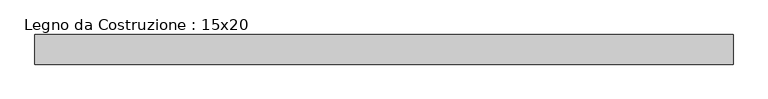
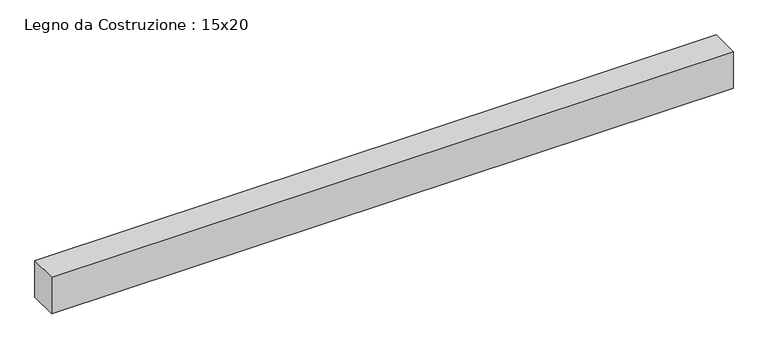
"""IFC4 building model written with IfcOpenShell, lengths in millimetres: beam geometry, Legno da Costruzione : 15x20."""

from ifc_helpers import new_model, si_unit, frame, origin, place, context, project, spatial, polyline, outline, extrude, source, transform, mapped, element, save


def legno_da_costruzione_15x20_c065a8ab(model_context):
    return source(origin(), model_context, "Body", "SweptSolid", [
        extrude(outline(polyline([(1860.0, 75.0), (1860.0, -75.0), (-1671.0, -75.0), (-1671.0, 75.0), (1860.0, 75.0)])), frame((0.0, 0.0, -100.0), z_axis=(0.0, 0.0, 1.0), x_axis=(1.0, 0.0, 0.0)), (0.0, 0.0, 1.0), 200.0),
    ])


if __name__ == "__main__":
    model = new_model("IFC4")
    model_context = context("Model", 3, world=origin())
    ifc_project = project(units=[si_unit("LENGTHUNIT", "METRE", prefix="MILLI")], contexts=[model_context])
    site = spatial("IfcSite", under=ifc_project)
    building = spatial("IfcBuilding", under=site)
    placement = place(None, origin())
    legno_da_costruzione_15x20_shape = legno_da_costruzione_15x20_c065a8ab(model_context)
    element("IfcBeam", 1, ObjectType="Legno da Costruzione : 15x20", at=placement, inside=building, context=model_context, shape_type="MappedRepresentation", body=[
        mapped(legno_da_costruzione_15x20_shape, transform((0.0, 0.0, 0.0), x_axis=(1.0, 0.0, 0.0), y_axis=(0.0, 1.0, 0.0), z_axis=(0.0, 0.0, 1.0))),
    ])
    save(model, "model.ifc")
